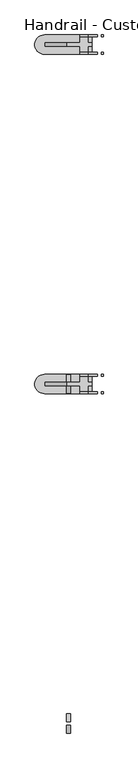
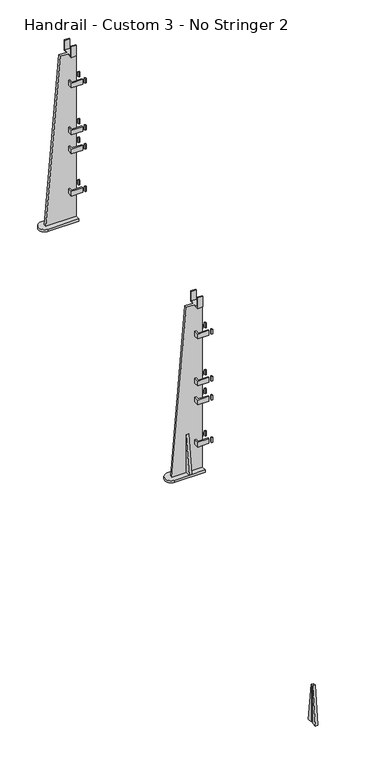
"""IFC4 building model written with IfcOpenShell, lengths in millimetres: railing geometry, Handrail - Custom 3 - No Stringer 2."""

from ifc_helpers import new_model, si_unit, frame, origin, place, context, project, spatial, polyline, circle_curve, outline, extrude, faceted_brep, source, transform, mapped, element, save
from ifc_brep_helpers import plane_surface, cylinder_surface, advanced_brep


def handrail_custom_3_no_stringer_2_50cc0607(model_context):
    return source(origin(), model_context, "Body", "SolidModel", [
        advanced_brep(
        [(6940.6570471, 4868.9590883, 2427.7155715), (6984.0963422, 4868.9590883, 2427.7155715), (6984.0963422, 4868.9590883, 2421.3655715), (7009.4963422, 4868.9590883, 2421.3655715), (7009.4963422, 4868.9590883, 2427.7155715), (7022.1963422, 4868.9590883, 2427.7155715), (7022.1963422, 4868.9590883, 1536.7), (6866.9573856, 4868.9590883, 1536.7), (6984.0963422, 4868.9590883, 1698.8668385), (6984.0963422, 4868.9590883, 1673.4668385), (6990.4463422, 4868.9590883, 1673.4668385), (6990.4463422, 4868.9590883, 1698.8668385), (6984.0963422, 4868.9590883, 1927.4668385), (6984.0963422, 4868.9590883, 1902.0668385), (6990.4463422, 4868.9590883, 1902.0668385), (6990.4463422, 4868.9590883, 1927.4668385), (6984.0963422, 4868.9590883, 2029.0668385), (6984.0963422, 4868.9590883, 2003.6668385), (6990.4463422, 4868.9590883, 2003.6668385), (6990.4463422, 4868.9590883, 2029.0668385), (6984.0963422, 4868.9590883, 2283.0668385), (6984.0963422, 4868.9590883, 2257.6668385), (6990.4463422, 4868.9590883, 2257.6668385), (6990.4463422, 4868.9590883, 2283.0668385), (7022.1963422, 4856.2590883, 2427.7155715), (7009.4963422, 4856.2590883, 2427.7155715), (7009.4963422, 4856.2590883, 2421.3655715), (6984.0963422, 4856.2590883, 2421.3655715), (6984.0963422, 4856.2590883, 2427.7155715), (6940.6570471, 4856.2590883, 2427.7155715), (6866.9573856, 4856.2590883, 1536.7), (7022.1963422, 4856.2590883, 1536.7), (6990.4463422, 4856.2590883, 1698.8668385), (6990.4463422, 4856.2590883, 1673.4668385), (6984.0963422, 4856.2590883, 1673.4668385), (6984.0963422, 4856.2590883, 1698.8668385), (6990.4463422, 4856.2590883, 1927.4668385), (6990.4463422, 4856.2590883, 1902.0668385), (6984.0963422, 4856.2590883, 1902.0668385), (6984.0963422, 4856.2590883, 1927.4668385), (6990.4463422, 4856.2590883, 2029.0668385), (6990.4463422, 4856.2590883, 2003.6668385), (6984.0963422, 4856.2590883, 2003.6668385), (6984.0963422, 4856.2590883, 2029.0668385), (6990.4463422, 4856.2590883, 2283.0668385), (6990.4463422, 4856.2590883, 2257.6668385), (6984.0963422, 4856.2590883, 2257.6668385), (6984.0963422, 4856.2590883, 2283.0668385), (7009.4963422, 4888.0090883, 2427.7155715), (6984.0963422, 4888.0090883, 2427.7155715), (6984.0963422, 4837.2090883, 2427.7155715), (7009.4963422, 4837.2090883, 2427.7155715), (7022.1963422, 4894.3590883, 1524.0), (7022.1963422, 4830.8590883, 1524.0), (6865.9069149, 4830.8590883, 1524.0), (6865.9069149, 4894.3590883, 1524.0), (7022.1963422, 4830.8590883, 1536.7), (7022.1963422, 4894.3590883, 1536.7), (6865.9069149, 4894.3590883, 1536.7), (6865.9069149, 4830.8590883, 1536.7), (6990.4463422, 4888.0090883, 1673.4668385), (7041.2463422, 4888.0090883, 1673.4668385), (7041.2463422, 4888.0090883, 1698.8668385), (6990.4463422, 4888.0090883, 1698.8668385), (7041.2463422, 4894.3590883, 1698.8668385), (6984.0963422, 4894.3590883, 1698.8668385), (6984.0963422, 4830.8590883, 1698.8668385), (7041.2463422, 4830.8590883, 1698.8668385), (7041.2463422, 4837.2090883, 1698.8668385), (6990.4463422, 4837.2090883, 1698.8668385), (7041.2463422, 4894.3590883, 1673.4668385), (6984.0963422, 4894.3590883, 1673.4668385), (6990.4463422, 4837.2090883, 1673.4668385), (7041.2463422, 4837.2090883, 1673.4668385), (7041.2463422, 4830.8590883, 1673.4668385), (6984.0963422, 4830.8590883, 1673.4668385), (6990.4463422, 4888.0090883, 1902.0668385), (7041.2463422, 4888.0090883, 1902.0668385), (7041.2463422, 4888.0090883, 1927.4668385), (6990.4463422, 4888.0090883, 1927.4668385), (7041.2463422, 4894.3590883, 1927.4668385), (6984.0963422, 4894.3590883, 1927.4668385), (6984.0963422, 4830.8590883, 1927.4668385), (7041.2463422, 4830.8590883, 1927.4668385), (7041.2463422, 4837.2090883, 1927.4668385), (6990.4463422, 4837.2090883, 1927.4668385), (7041.2463422, 4894.3590883, 1902.0668385), (6984.0963422, 4894.3590883, 1902.0668385), (6990.4463422, 4837.2090883, 1902.0668385), (7041.2463422, 4837.2090883, 1902.0668385), (7041.2463422, 4830.8590883, 1902.0668385), (6984.0963422, 4830.8590883, 1902.0668385), (6990.4463422, 4888.0090883, 2003.6668385), (7041.2463422, 4888.0090883, 2003.6668385), (7041.2463422, 4888.0090883, 2029.0668385), (6990.4463422, 4888.0090883, 2029.0668385), (7041.2463422, 4894.3590883, 2029.0668385), (6984.0963422, 4894.3590883, 2029.0668385), (6984.0963422, 4830.8590883, 2029.0668385), (7041.2463422, 4830.8590883, 2029.0668385), (7041.2463422, 4837.2090883, 2029.0668385), (6990.4463422, 4837.2090883, 2029.0668385), (7041.2463422, 4894.3590883, 2003.6668385), (6984.0963422, 4894.3590883, 2003.6668385), (6990.4463422, 4837.2090883, 2003.6668385), (7041.2463422, 4837.2090883, 2003.6668385), (7041.2463422, 4830.8590883, 2003.6668385), (6984.0963422, 4830.8590883, 2003.6668385), (6990.4463422, 4888.0090883, 2257.6668385), (7041.2463422, 4888.0090883, 2257.6668385), (7041.2463422, 4888.0090883, 2283.0668385), (6990.4463422, 4888.0090883, 2283.0668385), (7041.2463422, 4894.3590883, 2283.0668385), (6984.0963422, 4894.3590883, 2283.0668385), (6984.0963422, 4830.8590883, 2283.0668385), (7041.2463422, 4830.8590883, 2283.0668385), (7041.2463422, 4837.2090883, 2283.0668385), (6990.4463422, 4837.2090883, 2283.0668385), (7041.2463422, 4894.3590883, 2257.6668385), (6984.0963422, 4894.3590883, 2257.6668385), (6990.4463422, 4837.2090883, 2257.6668385), (7041.2463422, 4837.2090883, 2257.6668385), (7041.2463422, 4830.8590883, 2257.6668385), (6984.0963422, 4830.8590883, 2257.6668385), (7009.4963422, 4894.3590883, 2421.3655715), (7009.4963422, 4894.3590883, 2478.5155715), (7009.4963422, 4888.0090883, 2478.5155715), (7009.4963422, 4837.2090883, 2478.5155715), (7009.4963422, 4830.8590883, 2478.5155715), (7009.4963422, 4830.8590883, 2421.3655715), (6984.0963422, 4888.0090883, 2478.5155715), (6984.0963422, 4894.3590883, 2478.5155715), (6984.0963422, 4894.3590883, 2421.3655715), (6984.0963422, 4830.8590883, 2421.3655715), (6984.0963422, 4830.8590883, 2478.5155715), (6984.0963422, 4837.2090883, 2478.5155715)],
        [
            (0, 1),
            (1, 2),
            (2, 3),
            (3, 4),
            (4, 5),
            (5, 6),
            (6, 7),
            (7, 0),
            (8, 9),
            (9, 10),
            (10, 11),
            (11, 8),
            (12, 13),
            (13, 14),
            (14, 15),
            (15, 12),
            (16, 17),
            (17, 18),
            (18, 19),
            (19, 16),
            (20, 21),
            (21, 22),
            (22, 23),
            (23, 20),
            (24, 25),
            (25, 26),
            (26, 27),
            (27, 28),
            (28, 29),
            (29, 30),
            (30, 31),
            (31, 24),
            (32, 33),
            (33, 34),
            (34, 35),
            (35, 32),
            (36, 37),
            (37, 38),
            (38, 39),
            (39, 36),
            (40, 41),
            (41, 42),
            (42, 43),
            (43, 40),
            (44, 45),
            (45, 46),
            (46, 47),
            (47, 44),
            (4, 48),
            (48, 49),
            (49, 1),
            (0, 29),
            (28, 50),
            (50, 51),
            (51, 25),
            (24, 5),
            (7, 30),
            (52, 53),
            (53, 54),
            (54, 55, circle_curve(frame((6865.9069149, 4862.6090883, 1524.0), z_axis=(0.0, 0.0, -1.0), x_axis=(1.0, 0.0, 0.0)), 31.75)),
            (55, 52),
            (31, 56),
            (56, 53),
            (52, 57),
            (57, 6),
            (57, 58),
            (58, 59, circle_curve(frame((6865.9069149, 4862.6090883, 1536.7), z_axis=(0.0, 0.0, 1.0), x_axis=(1.0, 0.0, 0.0)), 31.75)),
            (59, 56),
            (59, 54),
            (58, 55),
            (60, 61),
            (61, 62),
            (62, 63),
            (63, 60),
            (62, 64),
            (64, 65),
            (65, 8),
            (11, 63),
            (35, 66),
            (66, 67),
            (67, 68),
            (68, 69),
            (69, 32),
            (64, 70),
            (70, 71),
            (71, 65),
            (70, 61),
            (60, 10),
            (9, 71),
            (33, 72),
            (72, 73),
            (73, 74),
            (74, 75),
            (75, 34),
            (76, 77),
            (77, 78),
            (78, 79),
            (79, 76),
            (78, 80),
            (80, 81),
            (81, 12),
            (15, 79),
            (39, 82),
            (82, 83),
            (83, 84),
            (84, 85),
            (85, 36),
            (80, 86),
            (86, 87),
            (87, 81),
            (86, 77),
            (76, 14),
            (13, 87),
            (37, 88),
            (88, 89),
            (89, 90),
            (90, 91),
            (91, 38),
            (92, 93),
            (93, 94),
            (94, 95),
            (95, 92),
            (94, 96),
            (96, 97),
            (97, 16),
            (19, 95),
            (43, 98),
            (98, 99),
            (99, 100),
            (100, 101),
            (101, 40),
            (96, 102),
            (102, 103),
            (103, 97),
            (102, 93),
            (92, 18),
            (17, 103),
            (41, 104),
            (104, 105),
            (105, 106),
            (106, 107),
            (107, 42),
            (108, 109),
            (109, 110),
            (110, 111),
            (111, 108),
            (110, 112),
            (112, 113),
            (113, 20),
            (23, 111),
            (47, 114),
            (114, 115),
            (115, 116),
            (116, 117),
            (117, 44),
            (112, 118),
            (118, 119),
            (119, 113),
            (118, 109),
            (108, 22),
            (21, 119),
            (45, 120),
            (120, 121),
            (121, 122),
            (122, 123),
            (123, 46),
            (69, 72),
            (75, 66),
            (85, 88),
            (91, 82),
            (101, 104),
            (107, 98),
            (117, 120),
            (123, 114),
            (68, 73),
            (74, 67),
            (84, 89),
            (90, 83),
            (100, 105),
            (106, 99),
            (116, 121),
            (122, 115),
            (3, 124),
            (124, 125),
            (125, 126),
            (126, 48),
            (51, 127),
            (127, 128),
            (128, 129),
            (129, 26),
            (49, 130),
            (130, 131),
            (131, 132),
            (132, 2),
            (27, 133),
            (133, 134),
            (134, 135),
            (135, 50),
            (126, 130),
            (125, 131),
            (124, 132),
            (129, 133),
            (128, 134),
            (127, 135),
        ],
        [
            plane_surface(frame((7022.1963422, 4868.9590883, 2427.7155715), z_axis=(0.0, 1.0, 0.0), x_axis=(-1.0, 0.0, 0.0))),
            plane_surface(frame((7022.1963422, 4856.2590883, 2427.7155715), z_axis=(0.0, -1.0, 0.0), x_axis=(1.0, 0.0, 0.0))),
            plane_surface(frame((7022.1963422, 4868.9590883, 2427.7155715), z_axis=(0.0, 0.0, 1.0), x_axis=(0.0, -1.0, 0.0))),
            plane_surface(frame((6940.6570471, 4868.9590883, 2427.7155715), z_axis=(-0.9965966321302145, 0.0, 0.08243271696792498), x_axis=(0.0, -1.0, 0.0))),
            plane_surface(frame((6865.9069149, 4868.9590883, 1524.0), z_axis=(0.0, 0.0, -1.0), x_axis=(0.0, -1.0, 0.0))),
            plane_surface(frame((7022.1963422, 4868.9590883, 1524.0), z_axis=(1.0, 0.0, 0.0), x_axis=(0.0, -1.0, 0.0))),
            plane_surface(frame((7022.1963422, 4830.8590883, 1536.7), z_axis=(0.0, 0.0, 1.0), x_axis=(-1.0, 0.0, 0.0))),
            plane_surface(frame((7022.1963422, 4830.8590883, 1536.7), z_axis=(0.0, -1.0, 0.0), x_axis=(0.0, 0.0, -1.0))),
            cylinder_surface(frame((6865.9069149, 4862.6090883, 1524.0), z_axis=(0.0, 0.0, 1.0), x_axis=(1.0, 0.0, 0.0)), 31.75),
            plane_surface(frame((6865.9069149, 4894.3590883, 1536.7), z_axis=(0.0, 1.0, 0.0), x_axis=(0.0, 0.0, -1.0))),
            plane_surface(frame((7060.2963422, 4888.0090883, 1673.4668385), z_axis=(0.0, -1.0, 0.0), x_axis=(-1.0, 0.0, 0.0))),
            plane_surface(frame((7060.2963422, 4888.0090883, 1698.8668385), z_axis=(0.0, 0.0, 1.0), x_axis=(-1.0, 0.0, 0.0))),
            plane_surface(frame((7060.2963422, 4894.3590883, 1698.8668385), z_axis=(0.0, 1.0, 0.0), x_axis=(-1.0, 0.0, 0.0))),
            plane_surface(frame((7060.2963422, 4894.3590883, 1673.4668385), z_axis=(0.0, 0.0, -1.0), x_axis=(-1.0, 0.0, 0.0))),
            plane_surface(frame((7060.2963422, 4888.0090883, 1902.0668385), z_axis=(0.0, -1.0, 0.0), x_axis=(-1.0, 0.0, 0.0))),
            plane_surface(frame((7060.2963422, 4888.0090883, 1927.4668385), z_axis=(0.0, 0.0, 1.0), x_axis=(-1.0, 0.0, 0.0))),
            plane_surface(frame((7060.2963422, 4894.3590883, 1927.4668385), z_axis=(0.0, 1.0, 0.0), x_axis=(-1.0, 0.0, 0.0))),
            plane_surface(frame((7060.2963422, 4894.3590883, 1902.0668385), z_axis=(0.0, 0.0, -1.0), x_axis=(-1.0, 0.0, 0.0))),
            plane_surface(frame((7060.2963422, 4888.0090883, 2003.6668385), z_axis=(0.0, -1.0, 0.0), x_axis=(-1.0, 0.0, 0.0))),
            plane_surface(frame((7060.2963422, 4888.0090883, 2029.0668385), z_axis=(0.0, 0.0, 1.0), x_axis=(-1.0, 0.0, 0.0))),
            plane_surface(frame((7060.2963422, 4894.3590883, 2029.0668385), z_axis=(0.0, 1.0, 0.0), x_axis=(-1.0, 0.0, 0.0))),
            plane_surface(frame((7060.2963422, 4894.3590883, 2003.6668385), z_axis=(0.0, 0.0, -1.0), x_axis=(-1.0, 0.0, 0.0))),
            plane_surface(frame((7060.2963422, 4888.0090883, 2257.6668385), z_axis=(0.0, -1.0, 0.0), x_axis=(-1.0, 0.0, 0.0))),
            plane_surface(frame((7060.2963422, 4888.0090883, 2283.0668385), z_axis=(0.0, 0.0, 1.0), x_axis=(-1.0, 0.0, 0.0))),
            plane_surface(frame((7060.2963422, 4894.3590883, 2283.0668385), z_axis=(0.0, 1.0, 0.0), x_axis=(-1.0, 0.0, 0.0))),
            plane_surface(frame((7060.2963422, 4894.3590883, 2257.6668385), z_axis=(0.0, 0.0, -1.0), x_axis=(-1.0, 0.0, 0.0))),
            plane_surface(frame((6990.4463422, 4888.0090883, 1673.4668385), z_axis=(1.0, 0.0, 0.0), x_axis=(0.0, -1.0, 0.0))),
            plane_surface(frame((6984.0963422, 4894.3590883, 1698.8668385), z_axis=(-1.0, 0.0, 0.0), x_axis=(0.0, -1.0, 0.0))),
            plane_surface(frame((6990.4463422, 4888.0090883, 1902.0668385), z_axis=(1.0, 0.0, 0.0), x_axis=(0.0, -1.0, 0.0))),
            plane_surface(frame((6984.0963422, 4894.3590883, 1927.4668385), z_axis=(-1.0, 0.0, 0.0), x_axis=(0.0, -1.0, 0.0))),
            plane_surface(frame((6990.4463422, 4888.0090883, 2003.6668385), z_axis=(1.0, 0.0, 0.0), x_axis=(0.0, -1.0, 0.0))),
            plane_surface(frame((6984.0963422, 4894.3590883, 2029.0668385), z_axis=(-1.0, 0.0, 0.0), x_axis=(0.0, -1.0, 0.0))),
            plane_surface(frame((6990.4463422, 4888.0090883, 2257.6668385), z_axis=(1.0, 0.0, 0.0), x_axis=(0.0, -1.0, 0.0))),
            plane_surface(frame((6984.0963422, 4894.3590883, 2283.0668385), z_axis=(-1.0, 0.0, 0.0), x_axis=(0.0, -1.0, 0.0))),
            plane_surface(frame((6990.4463422, 4837.2090883, 1673.4668385), z_axis=(0.0, 1.0, 0.0), x_axis=(1.0, 0.0, 0.0))),
            plane_surface(frame((6984.0963422, 4830.8590883, 1698.8668385), z_axis=(0.0, -1.0, 0.0), x_axis=(1.0, 0.0, 0.0))),
            plane_surface(frame((6990.4463422, 4837.2090883, 1902.0668385), z_axis=(0.0, 1.0, 0.0), x_axis=(1.0, 0.0, 0.0))),
            plane_surface(frame((6984.0963422, 4830.8590883, 1927.4668385), z_axis=(0.0, -1.0, 0.0), x_axis=(1.0, 0.0, 0.0))),
            plane_surface(frame((6990.4463422, 4837.2090883, 2003.6668385), z_axis=(0.0, 1.0, 0.0), x_axis=(1.0, 0.0, 0.0))),
            plane_surface(frame((6984.0963422, 4830.8590883, 2029.0668385), z_axis=(0.0, -1.0, 0.0), x_axis=(1.0, 0.0, 0.0))),
            plane_surface(frame((6990.4463422, 4837.2090883, 2257.6668385), z_axis=(0.0, 1.0, 0.0), x_axis=(1.0, 0.0, 0.0))),
            plane_surface(frame((6984.0963422, 4830.8590883, 2283.0668385), z_axis=(0.0, -1.0, 0.0), x_axis=(1.0, 0.0, 0.0))),
            plane_surface(frame((7041.2463422, 4830.8590883, 2478.5155715), z_axis=(1.0, 0.0, 0.0), x_axis=(0.0, 0.0, -1.0))),
            plane_surface(frame((7009.4963422, 4888.0090883, 2478.5155715), z_axis=(1.0, 0.0, 0.0), x_axis=(0.0, 0.0, 1.0))),
            plane_surface(frame((6984.0963422, 4888.0090883, 2478.5155715), z_axis=(-1.0, 0.0, 0.0), x_axis=(0.0, 0.0, -1.0))),
            plane_surface(frame((7009.4963422, 4888.0090883, 2427.7155715), z_axis=(0.0, -1.0, 0.0), x_axis=(-1.0, 0.0, 0.0))),
            plane_surface(frame((7009.4963422, 4888.0090883, 2478.5155715), z_axis=(0.0, 0.0, 1.0), x_axis=(-1.0, 0.0, 0.0))),
            plane_surface(frame((7009.4963422, 4894.3590883, 2478.5155715), z_axis=(0.0, 1.0, 0.0), x_axis=(-1.0, 0.0, 0.0))),
            plane_surface(frame((7009.4963422, 4894.3590883, 2421.3655715), z_axis=(0.0, 0.0, -1.0), x_axis=(-1.0, 0.0, 0.0))),
            plane_surface(frame((7009.4963422, 4856.2590883, 2421.3655715), z_axis=(0.0, 0.0, -1.0), x_axis=(-1.0, 0.0, 0.0))),
            plane_surface(frame((7009.4963422, 4830.8590883, 2421.3655715), z_axis=(0.0, -1.0, 0.0), x_axis=(-1.0, 0.0, 0.0))),
            plane_surface(frame((7009.4963422, 4830.8590883, 2478.5155715), z_axis=(0.0, 0.0, 1.0), x_axis=(-1.0, 0.0, 0.0))),
            plane_surface(frame((7009.4963422, 4837.2090883, 2478.5155715), z_axis=(0.0, 1.0, 0.0), x_axis=(-1.0, 0.0, 0.0))),
        ],
        [
            (0, [[1, 2, 3, 4, 5, 6, 7, 8], [9, 10, 11, 12], [13, 14, 15, 16], [17, 18, 19, 20], [21, 22, 23, 24]]),
            (1, [[25, 26, 27, 28, 29, 30, 31, 32], [33, 34, 35, 36], [37, 38, 39, 40], [41, 42, 43, 44], [45, 46, 47, 48]]),
            (2, [[-5, 49, 50, 51, -1, 52, -29, 53, 54, 55, -25, 56]]),
            (3, [[-8, 57, -30, -52]]),
            (4, [[58, 59, 60, 61]]),
            (5, [[-32, 62, 63, -58, 64, 65, -6, -56]]),
            (6, [[-62, -31, -57, -7, -65, 66, 67, 68]]),
            (7, [[69, -59, -63, -68]]),
            (8, [[70, -60, -69, -67]]),
            (9, [[-64, -61, -70, -66]]),
            (10, [[71, 72, 73, 74]]),
            (11, [[-73, 75, 76, 77, -12, 78]]),
            (11, [[-36, 79, 80, 81, 82, 83]]),
            (12, [[-76, 84, 85, 86]]),
            (13, [[-85, 87, -71, 88, -10, 89]]),
            (13, [[-34, 90, 91, 92, 93, 94]]),
            (14, [[95, 96, 97, 98]]),
            (15, [[-97, 99, 100, 101, -16, 102]]),
            (15, [[-40, 103, 104, 105, 106, 107]]),
            (16, [[-100, 108, 109, 110]]),
            (17, [[-109, 111, -95, 112, -14, 113]]),
            (17, [[-38, 114, 115, 116, 117, 118]]),
            (18, [[119, 120, 121, 122]]),
            (19, [[-121, 123, 124, 125, -20, 126]]),
            (19, [[-44, 127, 128, 129, 130, 131]]),
            (20, [[-124, 132, 133, 134]]),
            (21, [[-133, 135, -119, 136, -18, 137]]),
            (21, [[-42, 138, 139, 140, 141, 142]]),
            (22, [[143, 144, 145, 146]]),
            (23, [[-145, 147, 148, 149, -24, 150]]),
            (23, [[-48, 151, 152, 153, 154, 155]]),
            (24, [[-148, 156, 157, 158]]),
            (25, [[-157, 159, -143, 160, -22, 161]]),
            (25, [[-46, 162, 163, 164, 165, 166]]),
            (26, [[-78, -11, -88, -74]]),
            (26, [[-90, -33, -83, 167]]),
            (27, [[-89, -9, -77, -86]]),
            (27, [[-79, -35, -94, 168]]),
            (28, [[-102, -15, -112, -98]]),
            (28, [[-114, -37, -107, 169]]),
            (29, [[-113, -13, -101, -110]]),
            (29, [[-103, -39, -118, 170]]),
            (30, [[-126, -19, -136, -122]]),
            (30, [[-138, -41, -131, 171]]),
            (31, [[-137, -17, -125, -134]]),
            (31, [[-127, -43, -142, 172]]),
            (32, [[-150, -23, -160, -146]]),
            (32, [[-162, -45, -155, 173]]),
            (33, [[-161, -21, -149, -158]]),
            (33, [[-151, -47, -166, 174]]),
            (34, [[-82, 175, -91, -167]]),
            (35, [[-93, 176, -80, -168]]),
            (36, [[-106, 177, -115, -169]]),
            (37, [[-117, 178, -104, -170]]),
            (38, [[-130, 179, -139, -171]]),
            (39, [[-141, 180, -128, -172]]),
            (40, [[-154, 181, -163, -173]]),
            (41, [[-165, 182, -152, -174]]),
            (42, [[-87, -84, -75, -72]]),
            (42, [[-176, -92, -175, -81]]),
            (42, [[-111, -108, -99, -96]]),
            (42, [[-178, -116, -177, -105]]),
            (42, [[-135, -132, -123, -120]]),
            (42, [[-180, -140, -179, -129]]),
            (42, [[-159, -156, -147, -144]]),
            (42, [[-182, -164, -181, -153]]),
            (43, [[-49, -4, 183, 184, 185, 186]]),
            (43, [[187, 188, 189, 190, -26, -55]]),
            (44, [[191, 192, 193, 194, -2, -51]]),
            (44, [[-53, -28, 195, 196, 197, 198]]),
            (45, [[199, -191, -50, -186]]),
            (46, [[200, -192, -199, -185]]),
            (47, [[201, -193, -200, -184]]),
            (48, [[-3, -194, -201, -183]]),
            (49, [[202, -195, -27, -190]]),
            (50, [[203, -196, -202, -189]]),
            (51, [[204, -197, -203, -188]]),
            (52, [[-54, -198, -204, -187]]),
        ],
    ),
        faceted_brep([(7060.2963422, 4888.0090883, 1673.4668385), (7060.2963422, 4894.3590883, 1673.4668385), (7060.2963422, 4894.3590883, 1698.8668385), (7060.2963422, 4888.0090883, 1698.8668385), (7053.9463422, 4888.0090883, 1698.8668385), (7053.9463422, 4888.0090883, 1673.4668385), (7053.9463422, 4894.3590883, 1698.8668385), (7053.9463422, 4894.3590883, 1673.4668385)], [[[0, 1, 2, 3]], [[3, 4, 5, 0]], [[2, 6, 4, 3]], [[1, 7, 6, 2]], [[0, 5, 7, 1]], [[4, 6, 7, 5]]]),
        faceted_brep([(7060.2963422, 4888.0090883, 1902.0668385), (7060.2963422, 4894.3590883, 1902.0668385), (7060.2963422, 4894.3590883, 1927.4668385), (7060.2963422, 4888.0090883, 1927.4668385), (7053.9463422, 4888.0090883, 1927.4668385), (7053.9463422, 4888.0090883, 1902.0668385), (7053.9463422, 4894.3590883, 1927.4668385), (7053.9463422, 4894.3590883, 1902.0668385)], [[[0, 1, 2, 3]], [[3, 4, 5, 0]], [[2, 6, 4, 3]], [[1, 7, 6, 2]], [[0, 5, 7, 1]], [[4, 6, 7, 5]]]),
        faceted_brep([(7060.2963422, 4888.0090883, 2003.6668385), (7060.2963422, 4894.3590883, 2003.6668385), (7060.2963422, 4894.3590883, 2029.0668385), (7060.2963422, 4888.0090883, 2029.0668385), (7053.9463422, 4888.0090883, 2029.0668385), (7053.9463422, 4888.0090883, 2003.6668385), (7053.9463422, 4894.3590883, 2029.0668385), (7053.9463422, 4894.3590883, 2003.6668385)], [[[0, 1, 2, 3]], [[3, 4, 5, 0]], [[2, 6, 4, 3]], [[1, 7, 6, 2]], [[0, 5, 7, 1]], [[4, 6, 7, 5]]]),
        faceted_brep([(7060.2963422, 4888.0090883, 2257.6668385), (7060.2963422, 4894.3590883, 2257.6668385), (7060.2963422, 4894.3590883, 2283.0668385), (7060.2963422, 4888.0090883, 2283.0668385), (7053.9463422, 4888.0090883, 2283.0668385), (7053.9463422, 4888.0090883, 2257.6668385), (7053.9463422, 4894.3590883, 2283.0668385), (7053.9463422, 4894.3590883, 2257.6668385)], [[[0, 1, 2, 3]], [[3, 4, 5, 0]], [[2, 6, 4, 3]], [[1, 7, 6, 2]], [[0, 5, 7, 1]], [[4, 6, 7, 5]]]),
        faceted_brep([(7060.2963422, 4837.2090883, 1698.8668385), (7053.9463422, 4837.2090883, 1698.8668385), (7053.9463422, 4830.8590883, 1698.8668385), (7060.2963422, 4830.8590883, 1698.8668385), (7060.2963422, 4830.8590883, 1673.4668385), (7053.9463422, 4830.8590883, 1673.4668385), (7053.9463422, 4837.2090883, 1673.4668385), (7060.2963422, 4837.2090883, 1673.4668385)], [[[0, 1, 2, 3]], [[4, 5, 6, 7]], [[3, 4, 7, 0]], [[7, 6, 1, 0]], [[3, 2, 5, 4]], [[1, 6, 5, 2]]]),
        faceted_brep([(7060.2963422, 4837.2090883, 1927.4668385), (7053.9463422, 4837.2090883, 1927.4668385), (7053.9463422, 4830.8590883, 1927.4668385), (7060.2963422, 4830.8590883, 1927.4668385), (7060.2963422, 4830.8590883, 1902.0668385), (7053.9463422, 4830.8590883, 1902.0668385), (7053.9463422, 4837.2090883, 1902.0668385), (7060.2963422, 4837.2090883, 1902.0668385)], [[[0, 1, 2, 3]], [[4, 5, 6, 7]], [[3, 4, 7, 0]], [[7, 6, 1, 0]], [[3, 2, 5, 4]], [[1, 6, 5, 2]]]),
        faceted_brep([(7060.2963422, 4837.2090883, 2029.0668385), (7053.9463422, 4837.2090883, 2029.0668385), (7053.9463422, 4830.8590883, 2029.0668385), (7060.2963422, 4830.8590883, 2029.0668385), (7060.2963422, 4830.8590883, 2003.6668385), (7053.9463422, 4830.8590883, 2003.6668385), (7053.9463422, 4837.2090883, 2003.6668385), (7060.2963422, 4837.2090883, 2003.6668385)], [[[0, 1, 2, 3]], [[4, 5, 6, 7]], [[3, 4, 7, 0]], [[7, 6, 1, 0]], [[3, 2, 5, 4]], [[1, 6, 5, 2]]]),
        faceted_brep([(7060.2963422, 4837.2090883, 2283.0668385), (7053.9463422, 4837.2090883, 2283.0668385), (7053.9463422, 4830.8590883, 2283.0668385), (7060.2963422, 4830.8590883, 2283.0668385), (7060.2963422, 4830.8590883, 2257.6668385), (7053.9463422, 4830.8590883, 2257.6668385), (7053.9463422, 4837.2090883, 2257.6668385), (7060.2963422, 4837.2090883, 2257.6668385)], [[[0, 1, 2, 3]], [[4, 5, 6, 7]], [[3, 4, 7, 0]], [[7, 6, 1, 0]], [[3, 2, 5, 4]], [[1, 6, 5, 2]]]),
        extrude(outline(polyline([(3751.3590883, 1062.5666667), (3776.7590883, 859.3666667), (3751.3590883, 859.3666667), (3751.3590883, 1062.5666667)])), frame((6939.6463422, 0.0, 0.0), z_axis=(1.0, 0.0, 0.0), x_axis=(0.0, 1.0, 0.0)), (0.0, 0.0, 1.0), 12.7),
        extrude(outline(polyline([(3738.6590883, 1062.5666667), (3738.6590883, 859.3666667), (3713.2590883, 859.3666667), (3738.6590883, 1062.5666667)])), frame((6939.6463422, 0.0, 0.0), z_axis=(1.0, 0.0, 0.0), x_axis=(0.0, 1.0, 0.0)), (0.0, 0.0, 1.0), 12.7),
        advanced_brep(
        [(6940.6570471, 3751.3590883, 1750.3822381), (6984.0963422, 3751.3590883, 1750.3822381), (6984.0963422, 3751.3590883, 1744.0322381), (7009.4963422, 3751.3590883, 1744.0322381), (7009.4963422, 3751.3590883, 1750.3822381), (7022.1963422, 3751.3590883, 1750.3822381), (7022.1963422, 3751.3590883, 859.3666667), (6866.9573856, 3751.3590883, 859.3666667), (6984.0963422, 3751.3590883, 1021.5335052), (6984.0963422, 3751.3590883, 996.1335052), (6990.4463422, 3751.3590883, 996.1335052), (6990.4463422, 3751.3590883, 1021.5335052), (6984.0963422, 3751.3590883, 1250.1335052), (6984.0963422, 3751.3590883, 1224.7335052), (6990.4463422, 3751.3590883, 1224.7335052), (6990.4463422, 3751.3590883, 1250.1335052), (6984.0963422, 3751.3590883, 1351.7335052), (6984.0963422, 3751.3590883, 1326.3335052), (6990.4463422, 3751.3590883, 1326.3335052), (6990.4463422, 3751.3590883, 1351.7335052), (6984.0963422, 3751.3590883, 1605.7335052), (6984.0963422, 3751.3590883, 1580.3335052), (6990.4463422, 3751.3590883, 1580.3335052), (6990.4463422, 3751.3590883, 1605.7335052), (7022.1963422, 3738.6590883, 1750.3822381), (7009.4963422, 3738.6590883, 1750.3822381), (7009.4963422, 3738.6590883, 1744.0322381), (6984.0963422, 3738.6590883, 1744.0322381), (6984.0963422, 3738.6590883, 1750.3822381), (6940.6570471, 3738.6590883, 1750.3822381), (6866.9573856, 3738.6590883, 859.3666667), (7022.1963422, 3738.6590883, 859.3666667), (6990.4463422, 3738.6590883, 1021.5335052), (6990.4463422, 3738.6590883, 996.1335052), (6984.0963422, 3738.6590883, 996.1335052), (6984.0963422, 3738.6590883, 1021.5335052), (6990.4463422, 3738.6590883, 1250.1335052), (6990.4463422, 3738.6590883, 1224.7335052), (6984.0963422, 3738.6590883, 1224.7335052), (6984.0963422, 3738.6590883, 1250.1335052), (6990.4463422, 3738.6590883, 1351.7335052), (6990.4463422, 3738.6590883, 1326.3335052), (6984.0963422, 3738.6590883, 1326.3335052), (6984.0963422, 3738.6590883, 1351.7335052), (6990.4463422, 3738.6590883, 1605.7335052), (6990.4463422, 3738.6590883, 1580.3335052), (6984.0963422, 3738.6590883, 1580.3335052), (6984.0963422, 3738.6590883, 1605.7335052), (7009.4963422, 3770.4090883, 1750.3822381), (6984.0963422, 3770.4090883, 1750.3822381), (6984.0963422, 3719.6090883, 1750.3822381), (7009.4963422, 3719.6090883, 1750.3822381), (7022.1963422, 3776.7590883, 846.6666667), (7022.1963422, 3713.2590883, 846.6666667), (6865.9069149, 3713.2590883, 846.6666667), (6865.9069149, 3776.7590883, 846.6666667), (7022.1963422, 3713.2590883, 859.3666667), (7022.1963422, 3776.7590883, 859.3666667), (6865.9069149, 3776.7590883, 859.3666667), (6865.9069149, 3713.2590883, 859.3666667), (6990.4463422, 3770.4090883, 996.1335052), (7041.2463422, 3770.4090883, 996.1335052), (7041.2463422, 3770.4090883, 1021.5335052), (6990.4463422, 3770.4090883, 1021.5335052), (7041.2463422, 3776.7590883, 1021.5335052), (6984.0963422, 3776.7590883, 1021.5335052), (6984.0963422, 3713.2590883, 1021.5335052), (7041.2463422, 3713.2590883, 1021.5335052), (7041.2463422, 3719.6090883, 1021.5335052), (6990.4463422, 3719.6090883, 1021.5335052), (7041.2463422, 3776.7590883, 996.1335052), (6984.0963422, 3776.7590883, 996.1335052), (6990.4463422, 3719.6090883, 996.1335052), (7041.2463422, 3719.6090883, 996.1335052), (7041.2463422, 3713.2590883, 996.1335052), (6984.0963422, 3713.2590883, 996.1335052), (6990.4463422, 3770.4090883, 1224.7335052), (7041.2463422, 3770.4090883, 1224.7335052), (7041.2463422, 3770.4090883, 1250.1335052), (6990.4463422, 3770.4090883, 1250.1335052), (7041.2463422, 3776.7590883, 1250.1335052), (6984.0963422, 3776.7590883, 1250.1335052), (6984.0963422, 3713.2590883, 1250.1335052), (7041.2463422, 3713.2590883, 1250.1335052), (7041.2463422, 3719.6090883, 1250.1335052), (6990.4463422, 3719.6090883, 1250.1335052), (7041.2463422, 3776.7590883, 1224.7335052), (6984.0963422, 3776.7590883, 1224.7335052), (6990.4463422, 3719.6090883, 1224.7335052), (7041.2463422, 3719.6090883, 1224.7335052), (7041.2463422, 3713.2590883, 1224.7335052), (6984.0963422, 3713.2590883, 1224.7335052), (6990.4463422, 3770.4090883, 1326.3335052), (7041.2463422, 3770.4090883, 1326.3335052), (7041.2463422, 3770.4090883, 1351.7335052), (6990.4463422, 3770.4090883, 1351.7335052), (7041.2463422, 3776.7590883, 1351.7335052), (6984.0963422, 3776.7590883, 1351.7335052), (6984.0963422, 3713.2590883, 1351.7335052), (7041.2463422, 3713.2590883, 1351.7335052), (7041.2463422, 3719.6090883, 1351.7335052), (6990.4463422, 3719.6090883, 1351.7335052), (7041.2463422, 3776.7590883, 1326.3335052), (6984.0963422, 3776.7590883, 1326.3335052), (6990.4463422, 3719.6090883, 1326.3335052), (7041.2463422, 3719.6090883, 1326.3335052), (7041.2463422, 3713.2590883, 1326.3335052), (6984.0963422, 3713.2590883, 1326.3335052), (6990.4463422, 3770.4090883, 1580.3335052), (7041.2463422, 3770.4090883, 1580.3335052), (7041.2463422, 3770.4090883, 1605.7335052), (6990.4463422, 3770.4090883, 1605.7335052), (7041.2463422, 3776.7590883, 1605.7335052), (6984.0963422, 3776.7590883, 1605.7335052), (6984.0963422, 3713.2590883, 1605.7335052), (7041.2463422, 3713.2590883, 1605.7335052), (7041.2463422, 3719.6090883, 1605.7335052), (6990.4463422, 3719.6090883, 1605.7335052), (7041.2463422, 3776.7590883, 1580.3335052), (6984.0963422, 3776.7590883, 1580.3335052), (6990.4463422, 3719.6090883, 1580.3335052), (7041.2463422, 3719.6090883, 1580.3335052), (7041.2463422, 3713.2590883, 1580.3335052), (6984.0963422, 3713.2590883, 1580.3335052), (7009.4963422, 3776.7590883, 1744.0322381), (7009.4963422, 3776.7590883, 1801.1822381), (7009.4963422, 3770.4090883, 1801.1822381), (7009.4963422, 3719.6090883, 1801.1822381), (7009.4963422, 3713.2590883, 1801.1822381), (7009.4963422, 3713.2590883, 1744.0322381), (6984.0963422, 3770.4090883, 1801.1822381), (6984.0963422, 3776.7590883, 1801.1822381), (6984.0963422, 3776.7590883, 1744.0322381), (6984.0963422, 3713.2590883, 1744.0322381), (6984.0963422, 3713.2590883, 1801.1822381), (6984.0963422, 3719.6090883, 1801.1822381)],
        [
            (0, 1),
            (1, 2),
            (2, 3),
            (3, 4),
            (4, 5),
            (5, 6),
            (6, 7),
            (7, 0),
            (8, 9),
            (9, 10),
            (10, 11),
            (11, 8),
            (12, 13),
            (13, 14),
            (14, 15),
            (15, 12),
            (16, 17),
            (17, 18),
            (18, 19),
            (19, 16),
            (20, 21),
            (21, 22),
            (22, 23),
            (23, 20),
            (24, 25),
            (25, 26),
            (26, 27),
            (27, 28),
            (28, 29),
            (29, 30),
            (30, 31),
            (31, 24),
            (32, 33),
            (33, 34),
            (34, 35),
            (35, 32),
            (36, 37),
            (37, 38),
            (38, 39),
            (39, 36),
            (40, 41),
            (41, 42),
            (42, 43),
            (43, 40),
            (44, 45),
            (45, 46),
            (46, 47),
            (47, 44),
            (4, 48),
            (48, 49),
            (49, 1),
            (0, 29),
            (28, 50),
            (50, 51),
            (51, 25),
            (24, 5),
            (7, 30),
            (52, 53),
            (53, 54),
            (54, 55, circle_curve(frame((6865.9069149, 3745.0090883, 846.6666667), z_axis=(0.0, 0.0, -1.0), x_axis=(1.0, 0.0, 0.0)), 31.75)),
            (55, 52),
            (31, 56),
            (56, 53),
            (52, 57),
            (57, 6),
            (57, 58),
            (58, 59, circle_curve(frame((6865.9069149, 3745.0090883, 859.3666667), z_axis=(0.0, 0.0, 1.0), x_axis=(1.0, 0.0, 0.0)), 31.75)),
            (59, 56),
            (59, 54),
            (58, 55),
            (60, 61),
            (61, 62),
            (62, 63),
            (63, 60),
            (62, 64),
            (64, 65),
            (65, 8),
            (11, 63),
            (35, 66),
            (66, 67),
            (67, 68),
            (68, 69),
            (69, 32),
            (64, 70),
            (70, 71),
            (71, 65),
            (70, 61),
            (60, 10),
            (9, 71),
            (33, 72),
            (72, 73),
            (73, 74),
            (74, 75),
            (75, 34),
            (76, 77),
            (77, 78),
            (78, 79),
            (79, 76),
            (78, 80),
            (80, 81),
            (81, 12),
            (15, 79),
            (39, 82),
            (82, 83),
            (83, 84),
            (84, 85),
            (85, 36),
            (80, 86),
            (86, 87),
            (87, 81),
            (86, 77),
            (76, 14),
            (13, 87),
            (37, 88),
            (88, 89),
            (89, 90),
            (90, 91),
            (91, 38),
            (92, 93),
            (93, 94),
            (94, 95),
            (95, 92),
            (94, 96),
            (96, 97),
            (97, 16),
            (19, 95),
            (43, 98),
            (98, 99),
            (99, 100),
            (100, 101),
            (101, 40),
            (96, 102),
            (102, 103),
            (103, 97),
            (102, 93),
            (92, 18),
            (17, 103),
            (41, 104),
            (104, 105),
            (105, 106),
            (106, 107),
            (107, 42),
            (108, 109),
            (109, 110),
            (110, 111),
            (111, 108),
            (110, 112),
            (112, 113),
            (113, 20),
            (23, 111),
            (47, 114),
            (114, 115),
            (115, 116),
            (116, 117),
            (117, 44),
            (112, 118),
            (118, 119),
            (119, 113),
            (118, 109),
            (108, 22),
            (21, 119),
            (45, 120),
            (120, 121),
            (121, 122),
            (122, 123),
            (123, 46),
            (69, 72),
            (75, 66),
            (85, 88),
            (91, 82),
            (101, 104),
            (107, 98),
            (117, 120),
            (123, 114),
            (68, 73),
            (74, 67),
            (84, 89),
            (90, 83),
            (100, 105),
            (106, 99),
            (116, 121),
            (122, 115),
            (3, 124),
            (124, 125),
            (125, 126),
            (126, 48),
            (51, 127),
            (127, 128),
            (128, 129),
            (129, 26),
            (49, 130),
            (130, 131),
            (131, 132),
            (132, 2),
            (27, 133),
            (133, 134),
            (134, 135),
            (135, 50),
            (126, 130),
            (125, 131),
            (124, 132),
            (129, 133),
            (128, 134),
            (127, 135),
        ],
        [
            plane_surface(frame((7022.1963422, 3751.3590883, 1750.3822381), z_axis=(0.0, 1.0, 0.0), x_axis=(-1.0, 0.0, 0.0))),
            plane_surface(frame((7022.1963422, 3738.6590883, 1750.3822381), z_axis=(0.0, -1.0, 0.0), x_axis=(1.0, 0.0, 0.0))),
            plane_surface(frame((7022.1963422, 3751.3590883, 1750.3822381), z_axis=(0.0, 0.0, 1.0), x_axis=(0.0, -1.0, 0.0))),
            plane_surface(frame((6940.6570471, 3751.3590883, 1750.3822381), z_axis=(-0.9965966321302145, 0.0, 0.08243271696792498), x_axis=(0.0, -1.0, 0.0))),
            plane_surface(frame((6865.9069149, 3751.3590883, 846.6666667), z_axis=(0.0, 0.0, -1.0), x_axis=(0.0, -1.0, 0.0))),
            plane_surface(frame((7022.1963422, 3751.3590883, 846.6666667), z_axis=(1.0, 0.0, 0.0), x_axis=(0.0, -1.0, 0.0))),
            plane_surface(frame((7022.1963422, 3713.2590883, 859.3666667), z_axis=(0.0, 0.0, 1.0), x_axis=(-1.0, 0.0, 0.0))),
            plane_surface(frame((7022.1963422, 3713.2590883, 859.3666667), z_axis=(0.0, -1.0, 0.0), x_axis=(0.0, 0.0, -1.0))),
            cylinder_surface(frame((6865.9069149, 3745.0090883, 846.6666667), z_axis=(0.0, 0.0, 1.0), x_axis=(1.0, 0.0, 0.0)), 31.75),
            plane_surface(frame((6865.9069149, 3776.7590883, 859.3666667), z_axis=(0.0, 1.0, 0.0), x_axis=(0.0, 0.0, -1.0))),
            plane_surface(frame((7060.2963422, 3770.4090883, 996.1335052), z_axis=(0.0, -1.0, 0.0), x_axis=(-1.0, 0.0, 0.0))),
            plane_surface(frame((7060.2963422, 3770.4090883, 1021.5335052), z_axis=(0.0, 0.0, 1.0), x_axis=(-1.0, 0.0, 0.0))),
            plane_surface(frame((7060.2963422, 3776.7590883, 1021.5335052), z_axis=(0.0, 1.0, 0.0), x_axis=(-1.0, 0.0, 0.0))),
            plane_surface(frame((7060.2963422, 3776.7590883, 996.1335052), z_axis=(0.0, 0.0, -1.0), x_axis=(-1.0, 0.0, 0.0))),
            plane_surface(frame((7060.2963422, 3770.4090883, 1224.7335052), z_axis=(0.0, -1.0, 0.0), x_axis=(-1.0, 0.0, 0.0))),
            plane_surface(frame((7060.2963422, 3770.4090883, 1250.1335052), z_axis=(0.0, 0.0, 1.0), x_axis=(-1.0, 0.0, 0.0))),
            plane_surface(frame((7060.2963422, 3776.7590883, 1250.1335052), z_axis=(0.0, 1.0, 0.0), x_axis=(-1.0, 0.0, 0.0))),
            plane_surface(frame((7060.2963422, 3776.7590883, 1224.7335052), z_axis=(0.0, 0.0, -1.0), x_axis=(-1.0, 0.0, 0.0))),
            plane_surface(frame((7060.2963422, 3770.4090883, 1326.3335052), z_axis=(0.0, -1.0, 0.0), x_axis=(-1.0, 0.0, 0.0))),
            plane_surface(frame((7060.2963422, 3770.4090883, 1351.7335052), z_axis=(0.0, 0.0, 1.0), x_axis=(-1.0, 0.0, 0.0))),
            plane_surface(frame((7060.2963422, 3776.7590883, 1351.7335052), z_axis=(0.0, 1.0, 0.0), x_axis=(-1.0, 0.0, 0.0))),
            plane_surface(frame((7060.2963422, 3776.7590883, 1326.3335052), z_axis=(0.0, 0.0, -1.0), x_axis=(-1.0, 0.0, 0.0))),
            plane_surface(frame((7060.2963422, 3770.4090883, 1580.3335052), z_axis=(0.0, -1.0, 0.0), x_axis=(-1.0, 0.0, 0.0))),
            plane_surface(frame((7060.2963422, 3770.4090883, 1605.7335052), z_axis=(0.0, 0.0, 1.0), x_axis=(-1.0, 0.0, 0.0))),
            plane_surface(frame((7060.2963422, 3776.7590883, 1605.7335052), z_axis=(0.0, 1.0, 0.0), x_axis=(-1.0, 0.0, 0.0))),
            plane_surface(frame((7060.2963422, 3776.7590883, 1580.3335052), z_axis=(0.0, 0.0, -1.0), x_axis=(-1.0, 0.0, 0.0))),
            plane_surface(frame((6990.4463422, 3770.4090883, 996.1335052), z_axis=(1.0, 0.0, 0.0), x_axis=(0.0, -1.0, 0.0))),
            plane_surface(frame((6984.0963422, 3776.7590883, 1021.5335052), z_axis=(-1.0, 0.0, 0.0), x_axis=(0.0, -1.0, 0.0))),
            plane_surface(frame((6990.4463422, 3770.4090883, 1224.7335052), z_axis=(1.0, 0.0, 0.0), x_axis=(0.0, -1.0, 0.0))),
            plane_surface(frame((6984.0963422, 3776.7590883, 1250.1335052), z_axis=(-1.0, 0.0, 0.0), x_axis=(0.0, -1.0, 0.0))),
            plane_surface(frame((6990.4463422, 3770.4090883, 1326.3335052), z_axis=(1.0, 0.0, 0.0), x_axis=(0.0, -1.0, 0.0))),
            plane_surface(frame((6984.0963422, 3776.7590883, 1351.7335052), z_axis=(-1.0, 0.0, 0.0), x_axis=(0.0, -1.0, 0.0))),
            plane_surface(frame((6990.4463422, 3770.4090883, 1580.3335052), z_axis=(1.0, 0.0, 0.0), x_axis=(0.0, -1.0, 0.0))),
            plane_surface(frame((6984.0963422, 3776.7590883, 1605.7335052), z_axis=(-1.0, 0.0, 0.0), x_axis=(0.0, -1.0, 0.0))),
            plane_surface(frame((6990.4463422, 3719.6090883, 996.1335052), z_axis=(0.0, 1.0, 0.0), x_axis=(1.0, 0.0, 0.0))),
            plane_surface(frame((6984.0963422, 3713.2590883, 1021.5335052), z_axis=(0.0, -1.0, 0.0), x_axis=(1.0, 0.0, 0.0))),
            plane_surface(frame((6990.4463422, 3719.6090883, 1224.7335052), z_axis=(0.0, 1.0, 0.0), x_axis=(1.0, 0.0, 0.0))),
            plane_surface(frame((6984.0963422, 3713.2590883, 1250.1335052), z_axis=(0.0, -1.0, 0.0), x_axis=(1.0, 0.0, 0.0))),
            plane_surface(frame((6990.4463422, 3719.6090883, 1326.3335052), z_axis=(0.0, 1.0, 0.0), x_axis=(1.0, 0.0, 0.0))),
            plane_surface(frame((6984.0963422, 3713.2590883, 1351.7335052), z_axis=(0.0, -1.0, 0.0), x_axis=(1.0, 0.0, 0.0))),
            plane_surface(frame((6990.4463422, 3719.6090883, 1580.3335052), z_axis=(0.0, 1.0, 0.0), x_axis=(1.0, 0.0, 0.0))),
            plane_surface(frame((6984.0963422, 3713.2590883, 1605.7335052), z_axis=(0.0, -1.0, 0.0), x_axis=(1.0, 0.0, 0.0))),
            plane_surface(frame((7041.2463422, 3713.2590883, 1801.1822381), z_axis=(1.0, 0.0, 0.0), x_axis=(0.0, 0.0, -1.0))),
            plane_surface(frame((7009.4963422, 3770.4090883, 1801.1822381), z_axis=(1.0, 0.0, 0.0), x_axis=(0.0, 0.0, 1.0))),
            plane_surface(frame((6984.0963422, 3770.4090883, 1801.1822381), z_axis=(-1.0, 0.0, 0.0), x_axis=(0.0, 0.0, -1.0))),
            plane_surface(frame((7009.4963422, 3770.4090883, 1750.3822381), z_axis=(0.0, -1.0, 0.0), x_axis=(-1.0, 0.0, 0.0))),
            plane_surface(frame((7009.4963422, 3770.4090883, 1801.1822381), z_axis=(0.0, 0.0, 1.0), x_axis=(-1.0, 0.0, 0.0))),
            plane_surface(frame((7009.4963422, 3776.7590883, 1801.1822381), z_axis=(0.0, 1.0, 0.0), x_axis=(-1.0, 0.0, 0.0))),
            plane_surface(frame((7009.4963422, 3776.7590883, 1744.0322381), z_axis=(0.0, 0.0, -1.0), x_axis=(-1.0, 0.0, 0.0))),
            plane_surface(frame((7009.4963422, 3738.6590883, 1744.0322381), z_axis=(0.0, 0.0, -1.0), x_axis=(-1.0, 0.0, 0.0))),
            plane_surface(frame((7009.4963422, 3713.2590883, 1744.0322381), z_axis=(0.0, -1.0, 0.0), x_axis=(-1.0, 0.0, 0.0))),
            plane_surface(frame((7009.4963422, 3713.2590883, 1801.1822381), z_axis=(0.0, 0.0, 1.0), x_axis=(-1.0, 0.0, 0.0))),
            plane_surface(frame((7009.4963422, 3719.6090883, 1801.1822381), z_axis=(0.0, 1.0, 0.0), x_axis=(-1.0, 0.0, 0.0))),
        ],
        [
            (0, [[1, 2, 3, 4, 5, 6, 7, 8], [9, 10, 11, 12], [13, 14, 15, 16], [17, 18, 19, 20], [21, 22, 23, 24]]),
            (1, [[25, 26, 27, 28, 29, 30, 31, 32], [33, 34, 35, 36], [37, 38, 39, 40], [41, 42, 43, 44], [45, 46, 47, 48]]),
            (2, [[-5, 49, 50, 51, -1, 52, -29, 53, 54, 55, -25, 56]]),
            (3, [[-8, 57, -30, -52]]),
            (4, [[58, 59, 60, 61]]),
            (5, [[-32, 62, 63, -58, 64, 65, -6, -56]]),
            (6, [[-62, -31, -57, -7, -65, 66, 67, 68]]),
            (7, [[69, -59, -63, -68]]),
            (8, [[70, -60, -69, -67]]),
            (9, [[-64, -61, -70, -66]]),
            (10, [[71, 72, 73, 74]]),
            (11, [[-73, 75, 76, 77, -12, 78]]),
            (11, [[-36, 79, 80, 81, 82, 83]]),
            (12, [[-76, 84, 85, 86]]),
            (13, [[-85, 87, -71, 88, -10, 89]]),
            (13, [[-34, 90, 91, 92, 93, 94]]),
            (14, [[95, 96, 97, 98]]),
            (15, [[-97, 99, 100, 101, -16, 102]]),
            (15, [[-40, 103, 104, 105, 106, 107]]),
            (16, [[-100, 108, 109, 110]]),
            (17, [[-109, 111, -95, 112, -14, 113]]),
            (17, [[-38, 114, 115, 116, 117, 118]]),
            (18, [[119, 120, 121, 122]]),
            (19, [[-121, 123, 124, 125, -20, 126]]),
            (19, [[-44, 127, 128, 129, 130, 131]]),
            (20, [[-124, 132, 133, 134]]),
            (21, [[-133, 135, -119, 136, -18, 137]]),
            (21, [[-42, 138, 139, 140, 141, 142]]),
            (22, [[143, 144, 145, 146]]),
            (23, [[-145, 147, 148, 149, -24, 150]]),
            (23, [[-48, 151, 152, 153, 154, 155]]),
            (24, [[-148, 156, 157, 158]]),
            (25, [[-157, 159, -143, 160, -22, 161]]),
            (25, [[-46, 162, 163, 164, 165, 166]]),
            (26, [[-78, -11, -88, -74]]),
            (26, [[-90, -33, -83, 167]]),
            (27, [[-89, -9, -77, -86]]),
            (27, [[-79, -35, -94, 168]]),
            (28, [[-102, -15, -112, -98]]),
            (28, [[-114, -37, -107, 169]]),
            (29, [[-113, -13, -101, -110]]),
            (29, [[-103, -39, -118, 170]]),
            (30, [[-126, -19, -136, -122]]),
            (30, [[-138, -41, -131, 171]]),
            (31, [[-137, -17, -125, -134]]),
            (31, [[-127, -43, -142, 172]]),
            (32, [[-150, -23, -160, -146]]),
            (32, [[-162, -45, -155, 173]]),
            (33, [[-161, -21, -149, -158]]),
            (33, [[-151, -47, -166, 174]]),
            (34, [[-82, 175, -91, -167]]),
            (35, [[-93, 176, -80, -168]]),
            (36, [[-106, 177, -115, -169]]),
            (37, [[-117, 178, -104, -170]]),
            (38, [[-130, 179, -139, -171]]),
            (39, [[-141, 180, -128, -172]]),
            (40, [[-154, 181, -163, -173]]),
            (41, [[-165, 182, -152, -174]]),
            (42, [[-87, -84, -75, -72]]),
            (42, [[-176, -92, -175, -81]]),
            (42, [[-111, -108, -99, -96]]),
            (42, [[-178, -116, -177, -105]]),
            (42, [[-135, -132, -123, -120]]),
            (42, [[-180, -140, -179, -129]]),
            (42, [[-159, -156, -147, -144]]),
            (42, [[-182, -164, -181, -153]]),
            (43, [[-49, -4, 183, 184, 185, 186]]),
            (43, [[187, 188, 189, 190, -26, -55]]),
            (44, [[191, 192, 193, 194, -2, -51]]),
            (44, [[-53, -28, 195, 196, 197, 198]]),
            (45, [[199, -191, -50, -186]]),
            (46, [[200, -192, -199, -185]]),
            (47, [[201, -193, -200, -184]]),
            (48, [[-3, -194, -201, -183]]),
            (49, [[202, -195, -27, -190]]),
            (50, [[203, -196, -202, -189]]),
            (51, [[204, -197, -203, -188]]),
            (52, [[-54, -198, -204, -187]]),
        ],
    ),
        faceted_brep([(7060.2963422, 3770.4090883, 996.1335052), (7060.2963422, 3776.7590883, 996.1335052), (7060.2963422, 3776.7590883, 1021.5335052), (7060.2963422, 3770.4090883, 1021.5335052), (7053.9463422, 3770.4090883, 1021.5335052), (7053.9463422, 3770.4090883, 996.1335052), (7053.9463422, 3776.7590883, 1021.5335052), (7053.9463422, 3776.7590883, 996.1335052)], [[[0, 1, 2, 3]], [[3, 4, 5, 0]], [[2, 6, 4, 3]], [[1, 7, 6, 2]], [[0, 5, 7, 1]], [[4, 6, 7, 5]]]),
        faceted_brep([(7060.2963422, 3770.4090883, 1224.7335052), (7060.2963422, 3776.7590883, 1224.7335052), (7060.2963422, 3776.7590883, 1250.1335052), (7060.2963422, 3770.4090883, 1250.1335052), (7053.9463422, 3770.4090883, 1250.1335052), (7053.9463422, 3770.4090883, 1224.7335052), (7053.9463422, 3776.7590883, 1250.1335052), (7053.9463422, 3776.7590883, 1224.7335052)], [[[0, 1, 2, 3]], [[3, 4, 5, 0]], [[2, 6, 4, 3]], [[1, 7, 6, 2]], [[0, 5, 7, 1]], [[4, 6, 7, 5]]]),
        faceted_brep([(7060.2963422, 3770.4090883, 1326.3335052), (7060.2963422, 3776.7590883, 1326.3335052), (7060.2963422, 3776.7590883, 1351.7335052), (7060.2963422, 3770.4090883, 1351.7335052), (7053.9463422, 3770.4090883, 1351.7335052), (7053.9463422, 3770.4090883, 1326.3335052), (7053.9463422, 3776.7590883, 1351.7335052), (7053.9463422, 3776.7590883, 1326.3335052)], [[[0, 1, 2, 3]], [[3, 4, 5, 0]], [[2, 6, 4, 3]], [[1, 7, 6, 2]], [[0, 5, 7, 1]], [[4, 6, 7, 5]]]),
        faceted_brep([(7060.2963422, 3770.4090883, 1580.3335052), (7060.2963422, 3776.7590883, 1580.3335052), (7060.2963422, 3776.7590883, 1605.7335052), (7060.2963422, 3770.4090883, 1605.7335052), (7053.9463422, 3770.4090883, 1605.7335052), (7053.9463422, 3770.4090883, 1580.3335052), (7053.9463422, 3776.7590883, 1605.7335052), (7053.9463422, 3776.7590883, 1580.3335052)], [[[0, 1, 2, 3]], [[3, 4, 5, 0]], [[2, 6, 4, 3]], [[1, 7, 6, 2]], [[0, 5, 7, 1]], [[4, 6, 7, 5]]]),
        faceted_brep([(7060.2963422, 3719.6090883, 1021.5335052), (7053.9463422, 3719.6090883, 1021.5335052), (7053.9463422, 3713.2590883, 1021.5335052), (7060.2963422, 3713.2590883, 1021.5335052), (7060.2963422, 3713.2590883, 996.1335052), (7053.9463422, 3713.2590883, 996.1335052), (7053.9463422, 3719.6090883, 996.1335052), (7060.2963422, 3719.6090883, 996.1335052)], [[[0, 1, 2, 3]], [[4, 5, 6, 7]], [[3, 4, 7, 0]], [[7, 6, 1, 0]], [[3, 2, 5, 4]], [[1, 6, 5, 2]]]),
        faceted_brep([(7060.2963422, 3719.6090883, 1250.1335052), (7053.9463422, 3719.6090883, 1250.1335052), (7053.9463422, 3713.2590883, 1250.1335052), (7060.2963422, 3713.2590883, 1250.1335052), (7060.2963422, 3713.2590883, 1224.7335052), (7053.9463422, 3713.2590883, 1224.7335052), (7053.9463422, 3719.6090883, 1224.7335052), (7060.2963422, 3719.6090883, 1224.7335052)], [[[0, 1, 2, 3]], [[4, 5, 6, 7]], [[3, 4, 7, 0]], [[7, 6, 1, 0]], [[3, 2, 5, 4]], [[1, 6, 5, 2]]]),
        faceted_brep([(7060.2963422, 3719.6090883, 1351.7335052), (7053.9463422, 3719.6090883, 1351.7335052), (7053.9463422, 3713.2590883, 1351.7335052), (7060.2963422, 3713.2590883, 1351.7335052), (7060.2963422, 3713.2590883, 1326.3335052), (7053.9463422, 3713.2590883, 1326.3335052), (7053.9463422, 3719.6090883, 1326.3335052), (7060.2963422, 3719.6090883, 1326.3335052)], [[[0, 1, 2, 3]], [[4, 5, 6, 7]], [[3, 4, 7, 0]], [[7, 6, 1, 0]], [[3, 2, 5, 4]], [[1, 6, 5, 2]]]),
        faceted_brep([(7060.2963422, 3719.6090883, 1605.7335052), (7053.9463422, 3719.6090883, 1605.7335052), (7053.9463422, 3713.2590883, 1605.7335052), (7060.2963422, 3713.2590883, 1605.7335052), (7060.2963422, 3713.2590883, 1580.3335052), (7053.9463422, 3713.2590883, 1580.3335052), (7053.9463422, 3719.6090883, 1580.3335052), (7060.2963422, 3719.6090883, 1580.3335052)], [[[0, 1, 2, 3]], [[4, 5, 6, 7]], [[3, 4, 7, 0]], [[7, 6, 1, 0]], [[3, 2, 5, 4]], [[1, 6, 5, 2]]]),
        extrude(outline(polyline([(2633.7590883, 385.2333333), (2659.1590883, 182.0333333), (2633.7590883, 182.0333333), (2633.7590883, 385.2333333)])), frame((6939.6463422, 0.0, 0.0), z_axis=(1.0, 0.0, 0.0), x_axis=(0.0, 1.0, 0.0)), (0.0, 0.0, 1.0), 12.7),
        extrude(outline(polyline([(2621.0590883, 385.2333333), (2621.0590883, 182.0333333), (2595.6590883, 182.0333333), (2621.0590883, 385.2333333)])), frame((6939.6463422, 0.0, 0.0), z_axis=(1.0, 0.0, 0.0), x_axis=(0.0, 1.0, 0.0)), (0.0, 0.0, 1.0), 12.7),
    ])


if __name__ == "__main__":
    model = new_model("IFC4")
    model_context = context("Model", 3, world=origin())
    ifc_project = project(units=[si_unit("LENGTHUNIT", "METRE", prefix="MILLI")], contexts=[model_context])
    site = spatial("IfcSite", under=ifc_project)
    building = spatial("IfcBuilding", under=site)
    placement = place(None, origin())
    handrail_custom_3_no_stringer_2_shape = handrail_custom_3_no_stringer_2_50cc0607(model_context)
    element("IfcRailing", 1, ObjectType="Handrail - Custom 3 - No Stringer 2", at=placement, inside=building, context=model_context, shape_type="MappedRepresentation", body=[
        mapped(handrail_custom_3_no_stringer_2_shape, transform((0.0, 0.0, 0.0), x_axis=(1.0, 0.0, 0.0), y_axis=(0.0, 1.0, 0.0), z_axis=(0.0, 0.0, 1.0))),
    ])
    save(model, "model.ifc")
